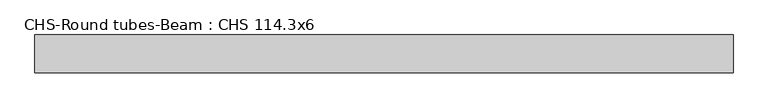
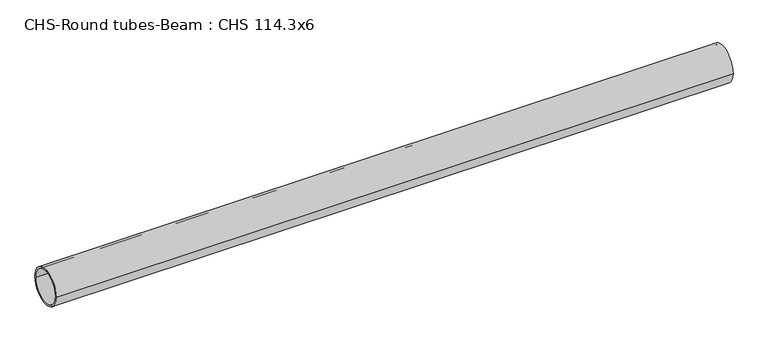
"""IFC4 building model written with IfcOpenShell, lengths in millimetres: beam geometry, CHS-Round tubes-Beam : CHS 114.3x6."""

from ifc_helpers import new_model, si_unit, point, frame, origin, origin_2d, place, context, project, spatial, circle_curve, trimmed, segment, composite_curve, outline, extrude, source, transform, mapped, element, save


def chs_round_tubes_beam_chs_114_3x6_fdeba0b8(model_context):
    return source(origin(), model_context, "Body", "SweptSolid", [
        extrude(outline(composite_curve([segment(trimmed(circle_curve(origin_2d(), 57.15), [point((57.15, 0.0))], [point((-57.15, 0.0))], False, "CARTESIAN"), True, "CONTINUOUS"), segment(trimmed(circle_curve(origin_2d(), 57.15), [point((-57.15, 0.0))], [point((57.15, 0.0))], False, "CARTESIAN"), True, "CONTINUOUS")], self_intersect=False), holes=[composite_curve([segment(trimmed(circle_curve(origin_2d(), 51.15), [point((51.15, 0.0))], [point((-51.15, 0.0))], True, "CARTESIAN"), True, "CONTINUOUS"), segment(trimmed(circle_curve(origin_2d(), 51.15), [point((-51.15, 0.0))], [point((51.15, 0.0))], True, "CARTESIAN"), True, "CONTINUOUS")], self_intersect=False)]), frame((-1016.1003993, 0.0, 0.0), z_axis=(1.0, 0.0, 0.0), x_axis=(0.0, 1.0, 0.0)), (0.0, 0.0, 1.0), 2096.9023835),
    ])


if __name__ == "__main__":
    model = new_model("IFC4")
    model_context = context("Model", 3, world=origin())
    ifc_project = project(units=[si_unit("LENGTHUNIT", "METRE", prefix="MILLI")], contexts=[model_context])
    site = spatial("IfcSite", under=ifc_project)
    building = spatial("IfcBuilding", under=site)
    placement = place(None, origin())
    chs_round_tubes_beam_chs_114_3x6_shape = chs_round_tubes_beam_chs_114_3x6_fdeba0b8(model_context)
    element("IfcBeam", 1, ObjectType="CHS-Round tubes-Beam : CHS 114.3x6", at=placement, inside=building, context=model_context, shape_type="MappedRepresentation", body=[
        mapped(chs_round_tubes_beam_chs_114_3x6_shape, transform((0.0, 0.0, 0.0), x_axis=(1.0, 0.0, 0.0), y_axis=(0.0, 1.0, 0.0), z_axis=(0.0, 0.0, 1.0))),
    ])
    save(model, "model.ifc")
